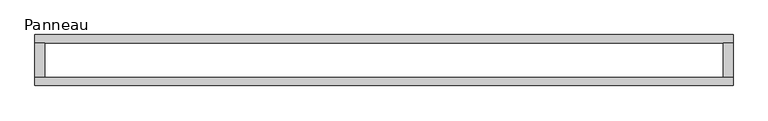
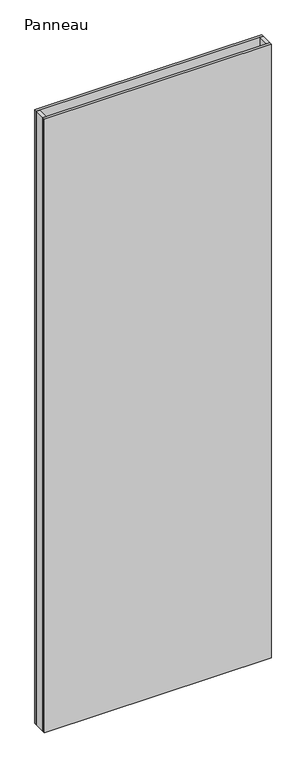
"""IFC4 building model written with IfcOpenShell, lengths in millimetres: plate geometry, Panneau."""

from ifc_helpers import new_model, si_unit, origin, origin_with_axes, place, context, project, spatial, polyline, outline, extrude, source, transform, mapped, element, save


def panneau_1b54aa5e(model_context):
    return source(origin(), model_context, "Body", "SweptSolid", [
        extrude(outline(polyline([(509.1082011, -37.2), (-509.1082011, -37.2), (-509.1082011, -25.2), (509.1082011, -25.2), (509.1082011, -37.2)])), origin_with_axes(), (0.0, 0.0, 1.0), 2915.0),
        extrude(outline(polyline([(-495.1082011, 25.2), (-495.1082011, -25.2), (-509.1082011, -25.2), (-509.1082011, 25.2), (-495.1082011, 25.2)])), origin_with_axes(), (0.0, 0.0, 1.0), 2915.0),
        extrude(outline(polyline([(509.1082011, 25.2), (509.1082011, -25.2), (495.1082011, -25.2), (495.1082011, 25.2), (509.1082011, 25.2)])), origin_with_axes(), (0.0, 0.0, 1.0), 2915.0),
        extrude(outline(polyline([(509.1082011, 25.2), (-509.1082011, 25.2), (-509.1082011, 37.2), (509.1082011, 37.2), (509.1082011, 25.2)])), origin_with_axes(), (0.0, 0.0, 1.0), 2915.0),
    ])


if __name__ == "__main__":
    model = new_model("IFC4")
    model_context = context("Model", 3, world=origin())
    ifc_project = project(units=[si_unit("LENGTHUNIT", "METRE", prefix="MILLI")], contexts=[model_context])
    site = spatial("IfcSite", under=ifc_project)
    building = spatial("IfcBuilding", under=site)
    placement = place(None, origin())
    panneau_shape = panneau_1b54aa5e(model_context)
    element("IfcPlate", 1, ObjectType="Panneau", at=placement, inside=building, context=model_context, shape_type="MappedRepresentation", body=[
        mapped(panneau_shape, transform((0.0, 0.0, 0.0), x_axis=(1.0, 0.0, 0.0), y_axis=(0.0, 1.0, 0.0), z_axis=(0.0, 0.0, 1.0))),
    ])
    save(model, "model.ifc")
